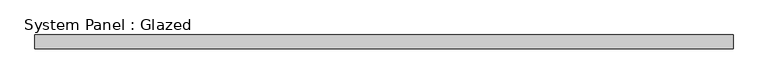
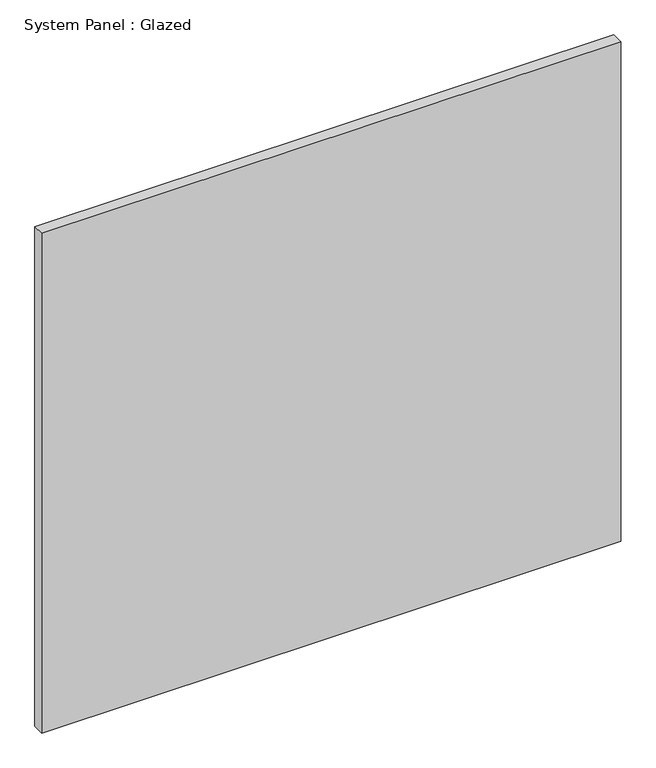
"""IFC4 building model written with IfcOpenShell, lengths in millimetres: plate geometry, System Panel : Glazed."""

from ifc_helpers import new_model, si_unit, origin, origin_with_axes, place, context, project, spatial, polyline, outline, extrude, source, transform, mapped, element, save


def system_panel_glazed_147074a9(model_context):
    return source(origin(), model_context, "Body", "SweptSolid", [
        extrude(outline(polyline([(633.1957079, 19.05), (-633.1957079, 19.05), (-633.1957079, 44.45), (633.1957079, 44.45), (633.1957079, 19.05)])), origin_with_axes(), (0.0, 0.0, 1.0), 1155.7),
    ])


if __name__ == "__main__":
    model = new_model("IFC4")
    model_context = context("Model", 3, world=origin())
    ifc_project = project(units=[si_unit("LENGTHUNIT", "METRE", prefix="MILLI")], contexts=[model_context])
    site = spatial("IfcSite", under=ifc_project)
    building = spatial("IfcBuilding", under=site)
    placement = place(None, origin())
    system_panel_glazed_shape = system_panel_glazed_147074a9(model_context)
    element("IfcPlate", 1, ObjectType="System Panel : Glazed", at=placement, inside=building, context=model_context, shape_type="MappedRepresentation", body=[
        mapped(system_panel_glazed_shape, transform((0.0, 0.0, 0.0), x_axis=(1.0, 0.0, 0.0), y_axis=(0.0, 1.0, 0.0), z_axis=(0.0, 0.0, 1.0))),
    ])
    save(model, "model.ifc")
